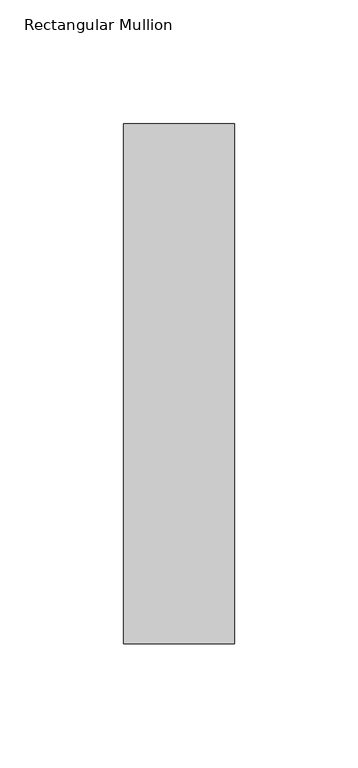
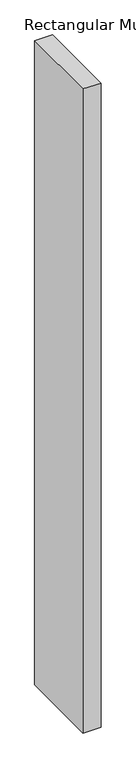
"""IFC4 building model written with IfcOpenShell, lengths in millimetres: member geometry, Rectangular Mullion."""

import ifcopenshell
import ifcopenshell.guid

model = None  # the IFC model being written
_history = None  # IfcOwnerHistory: only IFC2X3 demands one
_inside = {}  # id of a spatial element -> (the spatial element, [elements in it])
_under = {}  # id of a project, library or spatial element -> (it, [spatial elements below it])
_declared = {}  # id of a project -> (the project, [libraries it declares])
_typed = {}  # id of a type object -> (the type object, [elements of that type])
_made_of = {}  # id of a material, layer set ... -> (it, [elements and type objects made of it])


def new_model(schema):
    """Start an empty IFC model of exactly this schema.

    Asked for "IFC4X3", IfcOpenShell would pick the latest addendum, in which some entities
    have other attributes; the version numbers below select the first issue.
    IFC2X3 requires an IfcOwnerHistory on every rooted entity: one is made here for all.
    """
    global model, _history
    if schema == "IFC4X3":
        model = ifcopenshell.file(schema_version=(4, 3, 0, 0))
    else:
        model = ifcopenshell.file(schema=schema)
    _inside.clear()
    _under.clear()
    _declared.clear()
    _typed.clear()
    _made_of.clear()
    _history = None
    if model.schema == "IFC2X3":
        org = make("IfcOrganization", Name="unknown")
        user = make(
            "IfcPersonAndOrganization",
            ThePerson=make("IfcPerson", FamilyName="unknown"),
            TheOrganization=org,
        )
        app = make(
            "IfcApplication",
            ApplicationDeveloper=org,
            Version="unknown",
            ApplicationFullName="unknown",
            ApplicationIdentifier="unknown",
        )
        _history = make(
            "IfcOwnerHistory",
            OwningUser=user,
            OwningApplication=app,
            ChangeAction="ADDED",
            CreationDate=0,
        )
    return model


def make(cls, **values):
    """One entity of the class cls with the attributes given. An attribute that is None is left unset."""
    return model.create_entity(
        cls, **{name: value for name, value in values.items() if value is not None}
    )


def rooted(cls, **values):
    """An entity with a GlobalId (a new one), such as an element, a storey or a relation."""
    return make(cls, GlobalId=ifcopenshell.guid.new(), OwnerHistory=_history, **values)


def si_unit(unit_type, name, prefix=None):
    """IfcSIUnit, for example si_unit("LENGTHUNIT", "METRE", prefix="MILLI")."""
    return make("IfcSIUnit", UnitType=unit_type, Prefix=prefix, Name=name)


def assignment(units):
    """IfcUnitAssignment: the units of a project."""
    return None if units is None else make("IfcUnitAssignment", Units=units)


def point(xyz):
    """IfcCartesianPoint."""
    return None if xyz is None else make("IfcCartesianPoint", Coordinates=xyz)


def direction(xyz):
    """IfcDirection."""
    return None if xyz is None else make("IfcDirection", DirectionRatios=xyz)


def frame(location, z_axis=None, x_axis=None):
    """IfcAxis2Placement3D, a coordinate frame: its origin and axes. An axis left out is left unset."""
    return make(
        "IfcAxis2Placement3D",
        Location=point(location),
        Axis=direction(z_axis),
        RefDirection=direction(x_axis),
    )


def origin():
    """The frame at (0, 0, 0) with its axes left unset."""
    return frame((0.0, 0.0, 0.0))


def place(relative_to, where):
    """IfcLocalPlacement: puts the frame where relative to a parent placement (None: the world)."""
    return make(
        "IfcLocalPlacement", PlacementRelTo=relative_to, RelativePlacement=where
    )


def context(
    kind, dimensions, precision=None, world=None, true_north=None, identifier=None
):
    """IfcGeometricRepresentationContext, for example the 3D "Model" context."""
    return make(
        "IfcGeometricRepresentationContext",
        ContextIdentifier=identifier,
        ContextType=kind,
        CoordinateSpaceDimension=dimensions,
        Precision=precision,
        WorldCoordinateSystem=world,
        TrueNorth=true_north,
    )


def project(units=None, contexts=None):
    """IfcProject with its units and contexts."""
    return rooted(
        "IfcProject",
        Name="project",
        RepresentationContexts=contexts,
        UnitsInContext=assignment(units),
    )


def spatial(cls, under=None, at=None, **own):
    """A site, building, storey or space (cls), placed at a placement, below another one or the project."""
    s = rooted(cls, ObjectPlacement=at, **own)
    if under is not None:
        _under.setdefault(under.id(), (under, []))[1].append(s)
    return s


def polyline(points):
    """IfcPolyline through the points."""
    return make("IfcPolyline", Points=[point(p) for p in points])


def outline(outer, holes=None, kind="AREA"):
    """IfcArbitraryClosedProfileDef: a profile drawn as a closed curve; with holes, ...WithVoids."""
    if holes is None:
        return make("IfcArbitraryClosedProfileDef", ProfileType=kind, OuterCurve=outer)
    return make(
        "IfcArbitraryProfileDefWithVoids",
        ProfileType=kind,
        OuterCurve=outer,
        InnerCurves=holes,
    )


def extrude(swept, where, along, depth):
    """IfcExtrudedAreaSolid: the profile swept, set in the frame where, extruded along a direction by depth."""
    return make(
        "IfcExtrudedAreaSolid",
        SweptArea=swept,
        Position=where,
        ExtrudedDirection=direction(along),
        Depth=depth,
    )


def shape(context_of_items, identifier, shape_type, items):
    """IfcShapeRepresentation: the items that make up one representation, for example the "Body"."""
    return make(
        "IfcShapeRepresentation",
        ContextOfItems=context_of_items,
        RepresentationIdentifier=identifier,
        RepresentationType=shape_type,
        Items=items,
    )


def source(mapping_origin, context_of_items, identifier, shape_type, items):
    """IfcRepresentationMap: a shape defined once, which mapped items show again and again."""
    return make(
        "IfcRepresentationMap",
        MappingOrigin=mapping_origin,
        MappedRepresentation=shape(context_of_items, identifier, shape_type, items),
    )


def transform(
    local_origin,
    x_axis=None,
    y_axis=None,
    z_axis=None,
    scale=None,
    scale2=None,
    scale3=None,
    uniform=True,
):
    """IfcCartesianTransformationOperator3D, or its non-uniform kind. x_axis, y_axis, z_axis: its Axis1, 2, 3."""
    if uniform:
        return make(
            "IfcCartesianTransformationOperator3D",
            Axis1=direction(x_axis),
            Axis2=direction(y_axis),
            LocalOrigin=point(local_origin),
            Scale=scale,
            Axis3=direction(z_axis),
        )
    return make(
        "IfcCartesianTransformationOperator3DnonUniform",
        Axis1=direction(x_axis),
        Axis2=direction(y_axis),
        LocalOrigin=point(local_origin),
        Scale=scale,
        Axis3=direction(z_axis),
        Scale2=scale2,
        Scale3=scale3,
    )


def mapped(mapping_source, mapping_target):
    """IfcMappedItem: shows the shape of a source again, moved by a transform."""
    return make(
        "IfcMappedItem", MappingSource=mapping_source, MappingTarget=mapping_target
    )


def made_of(thing, what):
    """Note that an element or type object is made of a material, layer set ...; save() writes the relation."""
    if what is not None:
        _made_of.setdefault(what.id(), (what, []))[1].append(thing)
    return thing


def element(
    cls,
    number,
    at=None,
    inside=None,
    cuts=None,
    type_object=None,
    material=None,
    context=None,
    identifier="Body",
    shape_type=None,
    held_by="IfcProductDefinitionShape",
    body=None,
    shapes=None,
    **own,
):
    """One element of the class cls, such as IfcWall. Its Tag is "e" and its number.

    at: its placement. inside: the storey or other place that contains it. cuts: it is an
    opening in that element (IfcRelVoidsElement). A single representation is given by context,
    identifier, shape_type and body (its items); several are given by shapes. held_by: the class
    of the entity that holds the representations. save() writes the other relations.
    """
    e = rooted(cls, Tag="e%d" % number, ObjectPlacement=at, **own)
    if body is not None:
        shapes = [shape(context, identifier, shape_type, body)]
    if shapes is not None:
        e.Representation = make(held_by, Representations=shapes)
    if inside is not None:
        _inside.setdefault(inside.id(), (inside, []))[1].append(e)
    if cuts is not None:
        rooted(
            "IfcRelVoidsElement", RelatingBuildingElement=cuts, RelatedOpeningElement=e
        )
    if type_object is not None:
        _typed.setdefault(type_object.id(), (type_object, []))[1].append(e)
    return made_of(e, material)


def aggregate(whole, parts):
    """IfcRelAggregates: a whole, such as a stair, and the parts it consists of."""
    return rooted("IfcRelAggregates", RelatingObject=whole, RelatedObjects=parts)


def save(model, path):
    """Write the relations noted so far, then the file.

    IfcRelAggregates (storeys below a building ...), IfcRelContainedInSpatialStructure (elements
    in a storey), IfcRelDefinesByType, IfcRelAssociatesMaterial and IfcRelDeclares: one each for
    every whole, place, type object, material and project.
    """
    for whole, parts in _under.values():
        aggregate(whole, parts)
    for where, things in _inside.values():
        rooted(
            "IfcRelContainedInSpatialStructure",
            RelatedElements=things,
            RelatingStructure=where,
        )
    for kind, things in _typed.values():
        rooted("IfcRelDefinesByType", RelatedObjects=things, RelatingType=kind)
    for what, things in _made_of.values():
        rooted("IfcRelAssociatesMaterial", RelatedObjects=things, RelatingMaterial=what)
    for by, libraries in _declared.values():
        rooted("IfcRelDeclares", RelatingContext=by, RelatedDefinitions=libraries)
    model.write(path)


def rectangular_mullion_442124fb(model_context):
    return source(origin(), model_context, "Body", "SweptSolid", [
        extrude(outline(polyline([(22.5, 170.7), (22.5, -39.7), (-22.5, -39.7), (-22.5, 170.7), (22.5, 170.7)])), frame((0.0, 0.0, -1708.8912252), z_axis=(0.0, 0.0, 1.0), x_axis=(1.0, 0.0, 0.0)), (0.0, 0.0, 1.0), 1708.8912252),
    ])


if __name__ == "__main__":
    model = new_model("IFC4")
    model_context = context("Model", 3, world=origin())
    ifc_project = project(units=[si_unit("LENGTHUNIT", "METRE", prefix="MILLI")], contexts=[model_context])
    site = spatial("IfcSite", under=ifc_project)
    building = spatial("IfcBuilding", under=site)
    placement = place(None, origin())
    rectangular_mullion_shape = rectangular_mullion_442124fb(model_context)
    element("IfcMember", 1, ObjectType="Rectangular Mullion", at=placement, inside=building, context=model_context, shape_type="MappedRepresentation", body=[
        mapped(rectangular_mullion_shape, transform((0.0, 0.0, 0.0), x_axis=(1.0, 0.0, 0.0), y_axis=(0.0, 1.0, 0.0), z_axis=(0.0, 0.0, 1.0))),
    ])
    save(model, "model.ifc")
